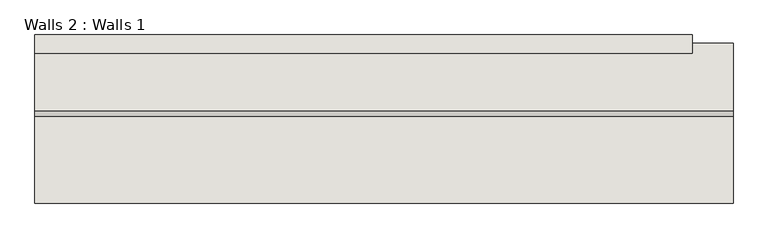
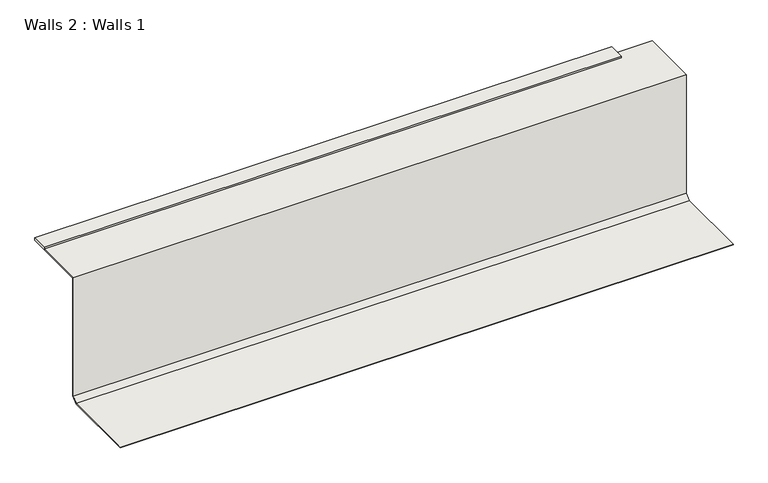
"""IFC4 building model written with IfcOpenShell, lengths in millimetres: wall geometry, Walls 2 : Walls 1."""

from ifc_helpers import new_model, si_unit, frame, origin, place, context, project, spatial, polyline, outline, extrude, source, transform, mapped, element, save


def walls_2_walls_1_945b7610(model_context):
    return source(origin(), model_context, "Body", "SweptSolid", [
        extrude(outline(polyline([(-2777.3748426, -8715.0650174), (-2777.3748426, -8657.9150174), (-745.3748426, -8657.9150174), (-745.3748426, -8715.0650174), (-2777.3748426, -8715.0650174)])), frame((0.0, 0.0, 457.2), z_axis=(0.0, 0.0, 1.0), x_axis=(1.0, 0.0, 0.0)), (0.0, 0.0, 1.0), 9.525),
        extrude(outline(polyline([(-8890.0196289, 19.05), (-8909.0696289, 0.0), (-9177.8201846, 0.0), (-9177.8201846, 3.175), (-8910.3847569, 3.175), (-8893.1946289, 20.3651281), (-8893.1946289, 460.375), (-8683.6446289, 460.375), (-8683.6446289, 457.2), (-8890.0196289, 457.2), (-8890.0196289, 19.05)])), frame((-2777.3748426, 0.0, 0.0), z_axis=(1.0, 0.0, 0.0), x_axis=(0.0, 1.0, 0.0)), (0.0, 0.0, 1.0), 2159.0),
    ])


if __name__ == "__main__":
    model = new_model("IFC4")
    model_context = context("Model", 3, world=origin())
    ifc_project = project(units=[si_unit("LENGTHUNIT", "METRE", prefix="MILLI")], contexts=[model_context])
    site = spatial("IfcSite", under=ifc_project)
    building = spatial("IfcBuilding", under=site)
    placement = place(None, origin())
    walls_2_walls_1_shape = walls_2_walls_1_945b7610(model_context)
    element("IfcWall", 1, ObjectType="Walls 2 : Walls 1", at=placement, inside=building, context=model_context, shape_type="MappedRepresentation", body=[
        mapped(walls_2_walls_1_shape, transform((0.0, 0.0, 0.0), x_axis=(1.0, 0.0, 0.0), y_axis=(0.0, 1.0, 0.0), z_axis=(0.0, 0.0, 1.0))),
    ])
    save(model, "model.ifc")
